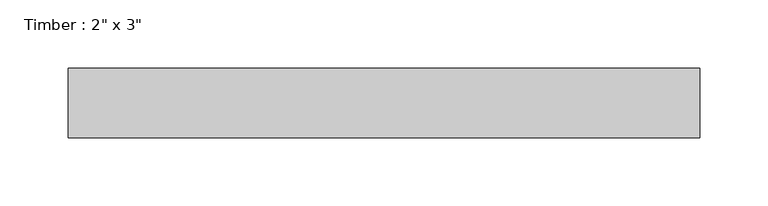
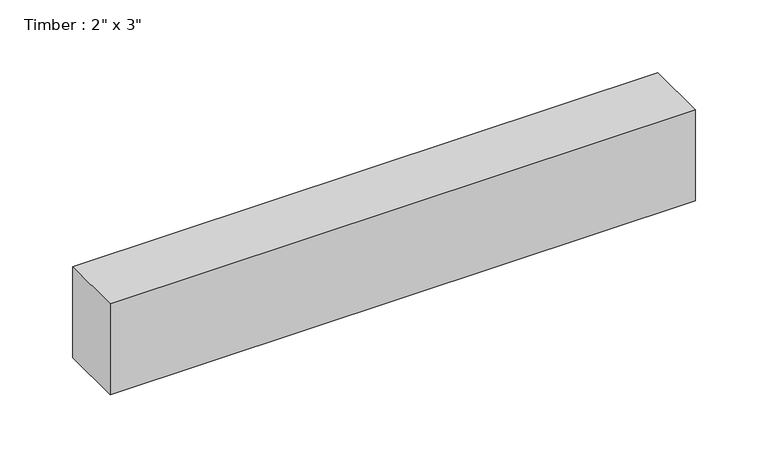
"""IFC4 building model written with IfcOpenShell, lengths in millimetres: beam geometry."""

from ifc_helpers import new_model, si_unit, frame, origin, place, context, project, spatial, polyline, outline, extrude, source, transform, mapped, element, save


def beam_3ded9e7a(model_context):
    return source(origin(), model_context, "Body", "SweptSolid", [
        extrude(outline(polyline([(231.3996972, -25.4), (-231.3996972, -25.4), (-231.3996972, 25.4), (231.3996972, 25.4), (231.3996972, -25.4)])), frame((0.0, 0.0, -38.1), z_axis=(0.0, 0.0, 1.0), x_axis=(1.0, 0.0, 0.0)), (0.0, 0.0, 1.0), 76.2),
    ])


if __name__ == "__main__":
    model = new_model("IFC4")
    model_context = context("Model", 3, world=origin())
    ifc_project = project(units=[si_unit("LENGTHUNIT", "METRE", prefix="MILLI")], contexts=[model_context])
    site = spatial("IfcSite", under=ifc_project)
    building = spatial("IfcBuilding", under=site)
    placement = place(None, origin())
    beam_shape = beam_3ded9e7a(model_context)
    element("IfcBeam", 1, ObjectType="Timber : 2\" x 3\"", at=placement, inside=building, context=model_context, shape_type="MappedRepresentation", body=[
        mapped(beam_shape, transform((0.0, 0.0, 0.0), x_axis=(1.0, 0.0, 0.0), y_axis=(0.0, 1.0, 0.0), z_axis=(0.0, 0.0, 1.0))),
    ])
    save(model, "model.ifc")
